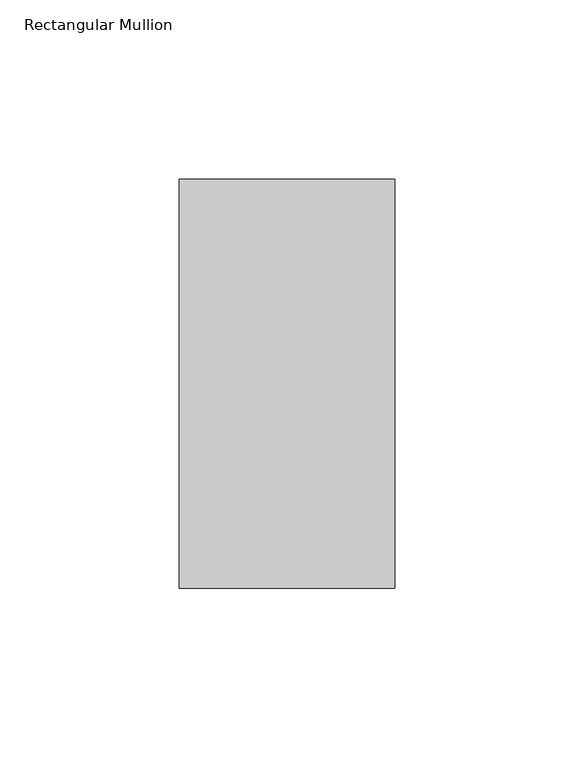
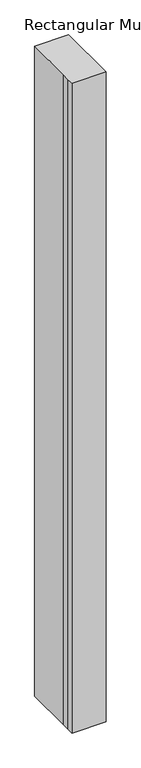
"""IFC4 building model written with IfcOpenShell, lengths in millimetres: member geometry, Rectangular Mullion."""

from ifc_helpers import new_model, si_unit, frame, origin, place, context, project, spatial, polyline, outline, extrude, source, transform, mapped, element, save


def rectangular_mullion_ff07007c(model_context):
    return source(origin(), model_context, "Body", "SweptSolid", [
        extrude(outline(polyline([(-60.325, 94.45625), (0.0, 94.45625), (0.0, -19.84375), (-60.325, -19.84375), (-60.325, -7.14375), (-60.325, 7.14375), (-60.325, 94.45625)])), frame((0.0, 0.0, -1219.2), z_axis=(0.0, 0.0, 1.0), x_axis=(1.0, 0.0, 0.0)), (0.0, 0.0, 1.0), 1219.2),
    ])


if __name__ == "__main__":
    model = new_model("IFC4")
    model_context = context("Model", 3, world=origin())
    ifc_project = project(units=[si_unit("LENGTHUNIT", "METRE", prefix="MILLI")], contexts=[model_context])
    site = spatial("IfcSite", under=ifc_project)
    building = spatial("IfcBuilding", under=site)
    placement = place(None, origin())
    rectangular_mullion_shape = rectangular_mullion_ff07007c(model_context)
    element("IfcMember", 1, ObjectType="Rectangular Mullion", at=placement, inside=building, context=model_context, shape_type="MappedRepresentation", body=[
        mapped(rectangular_mullion_shape, transform((0.0, 0.0, 0.0), x_axis=(1.0, 0.0, 0.0), y_axis=(0.0, 1.0, 0.0), z_axis=(0.0, 0.0, 1.0))),
    ])
    save(model, "model.ifc")
